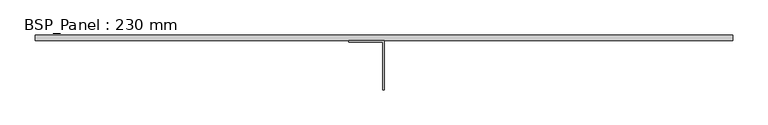
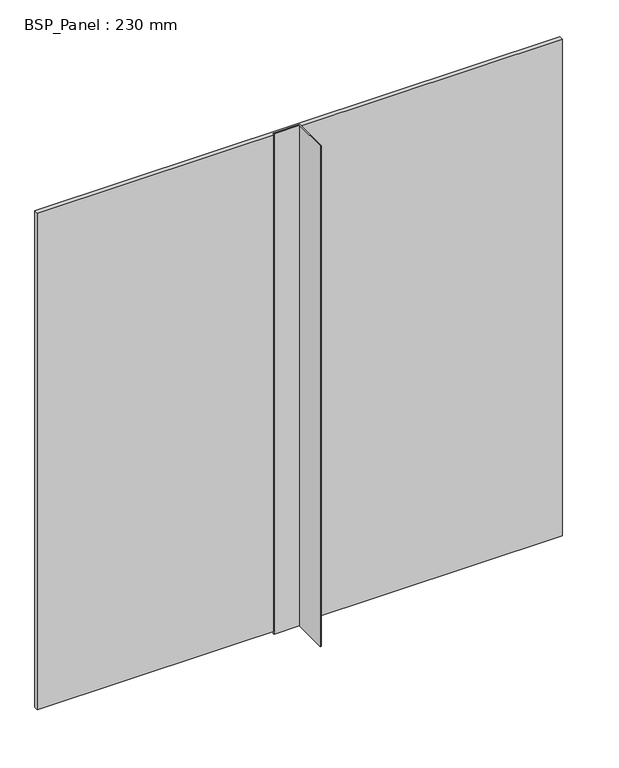
"""IFC4 building model written with IfcOpenShell, lengths in millimetres: plate geometry, BSP_Panel : 230 mm."""

import ifcopenshell
import ifcopenshell.guid

model = None  # the IFC model being written
_history = None  # IfcOwnerHistory: only IFC2X3 demands one
_inside = {}  # id of a spatial element -> (the spatial element, [elements in it])
_under = {}  # id of a project, library or spatial element -> (it, [spatial elements below it])
_declared = {}  # id of a project -> (the project, [libraries it declares])
_typed = {}  # id of a type object -> (the type object, [elements of that type])
_made_of = {}  # id of a material, layer set ... -> (it, [elements and type objects made of it])


def new_model(schema):
    """Start an empty IFC model of exactly this schema.

    Asked for "IFC4X3", IfcOpenShell would pick the latest addendum, in which some entities
    have other attributes; the version numbers below select the first issue.
    IFC2X3 requires an IfcOwnerHistory on every rooted entity: one is made here for all.
    """
    global model, _history
    if schema == "IFC4X3":
        model = ifcopenshell.file(schema_version=(4, 3, 0, 0))
    else:
        model = ifcopenshell.file(schema=schema)
    _inside.clear()
    _under.clear()
    _declared.clear()
    _typed.clear()
    _made_of.clear()
    _history = None
    if model.schema == "IFC2X3":
        org = make("IfcOrganization", Name="unknown")
        user = make(
            "IfcPersonAndOrganization",
            ThePerson=make("IfcPerson", FamilyName="unknown"),
            TheOrganization=org,
        )
        app = make(
            "IfcApplication",
            ApplicationDeveloper=org,
            Version="unknown",
            ApplicationFullName="unknown",
            ApplicationIdentifier="unknown",
        )
        _history = make(
            "IfcOwnerHistory",
            OwningUser=user,
            OwningApplication=app,
            ChangeAction="ADDED",
            CreationDate=0,
        )
    return model


def make(cls, **values):
    """One entity of the class cls with the attributes given. An attribute that is None is left unset."""
    return model.create_entity(
        cls, **{name: value for name, value in values.items() if value is not None}
    )


def rooted(cls, **values):
    """An entity with a GlobalId (a new one), such as an element, a storey or a relation."""
    return make(cls, GlobalId=ifcopenshell.guid.new(), OwnerHistory=_history, **values)


def si_unit(unit_type, name, prefix=None):
    """IfcSIUnit, for example si_unit("LENGTHUNIT", "METRE", prefix="MILLI")."""
    return make("IfcSIUnit", UnitType=unit_type, Prefix=prefix, Name=name)


def assignment(units):
    """IfcUnitAssignment: the units of a project."""
    return None if units is None else make("IfcUnitAssignment", Units=units)


def point(xyz):
    """IfcCartesianPoint."""
    return None if xyz is None else make("IfcCartesianPoint", Coordinates=xyz)


def direction(xyz):
    """IfcDirection."""
    return None if xyz is None else make("IfcDirection", DirectionRatios=xyz)


def frame(location, z_axis=None, x_axis=None):
    """IfcAxis2Placement3D, a coordinate frame: its origin and axes. An axis left out is left unset."""
    return make(
        "IfcAxis2Placement3D",
        Location=point(location),
        Axis=direction(z_axis),
        RefDirection=direction(x_axis),
    )


def origin():
    """The frame at (0, 0, 0) with its axes left unset."""
    return frame((0.0, 0.0, 0.0))


def origin_with_axes():
    """The frame at (0, 0, 0) with the z axis (0, 0, 1) and the x axis (1, 0, 0) written out."""
    return frame((0.0, 0.0, 0.0), z_axis=(0.0, 0.0, 1.0), x_axis=(1.0, 0.0, 0.0))


def place(relative_to, where):
    """IfcLocalPlacement: puts the frame where relative to a parent placement (None: the world)."""
    return make(
        "IfcLocalPlacement", PlacementRelTo=relative_to, RelativePlacement=where
    )


def context(
    kind, dimensions, precision=None, world=None, true_north=None, identifier=None
):
    """IfcGeometricRepresentationContext, for example the 3D "Model" context."""
    return make(
        "IfcGeometricRepresentationContext",
        ContextIdentifier=identifier,
        ContextType=kind,
        CoordinateSpaceDimension=dimensions,
        Precision=precision,
        WorldCoordinateSystem=world,
        TrueNorth=true_north,
    )


def project(units=None, contexts=None):
    """IfcProject with its units and contexts."""
    return rooted(
        "IfcProject",
        Name="project",
        RepresentationContexts=contexts,
        UnitsInContext=assignment(units),
    )


def spatial(cls, under=None, at=None, **own):
    """A site, building, storey or space (cls), placed at a placement, below another one or the project."""
    s = rooted(cls, ObjectPlacement=at, **own)
    if under is not None:
        _under.setdefault(under.id(), (under, []))[1].append(s)
    return s


def polyline(points):
    """IfcPolyline through the points."""
    return make("IfcPolyline", Points=[point(p) for p in points])


def outline(outer, holes=None, kind="AREA"):
    """IfcArbitraryClosedProfileDef: a profile drawn as a closed curve; with holes, ...WithVoids."""
    if holes is None:
        return make("IfcArbitraryClosedProfileDef", ProfileType=kind, OuterCurve=outer)
    return make(
        "IfcArbitraryProfileDefWithVoids",
        ProfileType=kind,
        OuterCurve=outer,
        InnerCurves=holes,
    )


def extrude(swept, where, along, depth):
    """IfcExtrudedAreaSolid: the profile swept, set in the frame where, extruded along a direction by depth."""
    return make(
        "IfcExtrudedAreaSolid",
        SweptArea=swept,
        Position=where,
        ExtrudedDirection=direction(along),
        Depth=depth,
    )


def shape(context_of_items, identifier, shape_type, items):
    """IfcShapeRepresentation: the items that make up one representation, for example the "Body"."""
    return make(
        "IfcShapeRepresentation",
        ContextOfItems=context_of_items,
        RepresentationIdentifier=identifier,
        RepresentationType=shape_type,
        Items=items,
    )


def source(mapping_origin, context_of_items, identifier, shape_type, items):
    """IfcRepresentationMap: a shape defined once, which mapped items show again and again."""
    return make(
        "IfcRepresentationMap",
        MappingOrigin=mapping_origin,
        MappedRepresentation=shape(context_of_items, identifier, shape_type, items),
    )


def transform(
    local_origin,
    x_axis=None,
    y_axis=None,
    z_axis=None,
    scale=None,
    scale2=None,
    scale3=None,
    uniform=True,
):
    """IfcCartesianTransformationOperator3D, or its non-uniform kind. x_axis, y_axis, z_axis: its Axis1, 2, 3."""
    if uniform:
        return make(
            "IfcCartesianTransformationOperator3D",
            Axis1=direction(x_axis),
            Axis2=direction(y_axis),
            LocalOrigin=point(local_origin),
            Scale=scale,
            Axis3=direction(z_axis),
        )
    return make(
        "IfcCartesianTransformationOperator3DnonUniform",
        Axis1=direction(x_axis),
        Axis2=direction(y_axis),
        LocalOrigin=point(local_origin),
        Scale=scale,
        Axis3=direction(z_axis),
        Scale2=scale2,
        Scale3=scale3,
    )


def mapped(mapping_source, mapping_target):
    """IfcMappedItem: shows the shape of a source again, moved by a transform."""
    return make(
        "IfcMappedItem", MappingSource=mapping_source, MappingTarget=mapping_target
    )


def made_of(thing, what):
    """Note that an element or type object is made of a material, layer set ...; save() writes the relation."""
    if what is not None:
        _made_of.setdefault(what.id(), (what, []))[1].append(thing)
    return thing


def element(
    cls,
    number,
    at=None,
    inside=None,
    cuts=None,
    type_object=None,
    material=None,
    context=None,
    identifier="Body",
    shape_type=None,
    held_by="IfcProductDefinitionShape",
    body=None,
    shapes=None,
    **own,
):
    """One element of the class cls, such as IfcWall. Its Tag is "e" and its number.

    at: its placement. inside: the storey or other place that contains it. cuts: it is an
    opening in that element (IfcRelVoidsElement). A single representation is given by context,
    identifier, shape_type and body (its items); several are given by shapes. held_by: the class
    of the entity that holds the representations. save() writes the other relations.
    """
    e = rooted(cls, Tag="e%d" % number, ObjectPlacement=at, **own)
    if body is not None:
        shapes = [shape(context, identifier, shape_type, body)]
    if shapes is not None:
        e.Representation = make(held_by, Representations=shapes)
    if inside is not None:
        _inside.setdefault(inside.id(), (inside, []))[1].append(e)
    if cuts is not None:
        rooted(
            "IfcRelVoidsElement", RelatingBuildingElement=cuts, RelatedOpeningElement=e
        )
    if type_object is not None:
        _typed.setdefault(type_object.id(), (type_object, []))[1].append(e)
    return made_of(e, material)


def aggregate(whole, parts):
    """IfcRelAggregates: a whole, such as a stair, and the parts it consists of."""
    return rooted("IfcRelAggregates", RelatingObject=whole, RelatedObjects=parts)


def save(model, path):
    """Write the relations noted so far, then the file.

    IfcRelAggregates (storeys below a building ...), IfcRelContainedInSpatialStructure (elements
    in a storey), IfcRelDefinesByType, IfcRelAssociatesMaterial and IfcRelDeclares: one each for
    every whole, place, type object, material and project.
    """
    for whole, parts in _under.values():
        aggregate(whole, parts)
    for where, things in _inside.values():
        rooted(
            "IfcRelContainedInSpatialStructure",
            RelatedElements=things,
            RelatingStructure=where,
        )
    for kind, things in _typed.values():
        rooted("IfcRelDefinesByType", RelatedObjects=things, RelatingType=kind)
    for what, things in _made_of.values():
        rooted("IfcRelAssociatesMaterial", RelatedObjects=things, RelatingMaterial=what)
    for by, libraries in _declared.values():
        rooted("IfcRelDeclares", RelatingContext=by, RelatedDefinitions=libraries)
    model.write(path)


def bsp_panel_230_mm_23652ffd(model_context):
    return source(origin(), model_context, "Body", "SweptSolid", [
        extrude(outline(polyline([(496.0000001, 230.0), (496.0000001, 222.0), (-496.0000001, 222.0), (-496.0000001, 230.0), (496.0000001, 230.0)])), frame((0.0, 0.0, 4.0), z_axis=(0.0, 0.0, 1.0), x_axis=(1.0, 0.0, 0.0)), (0.0, 0.0, 1.0), 992.0),
        extrude(outline(polyline([(-50.0, 222.0), (0.0, 222.0), (0.0, 152.0), (-2.0, 152.0), (-2.0, 220.0), (-50.0, 220.0), (-50.0, 222.0)])), origin_with_axes(), (0.0, 0.0, 1.0), 1000.0),
    ])


if __name__ == "__main__":
    model = new_model("IFC4")
    model_context = context("Model", 3, world=origin())
    ifc_project = project(units=[si_unit("LENGTHUNIT", "METRE", prefix="MILLI")], contexts=[model_context])
    site = spatial("IfcSite", under=ifc_project)
    building = spatial("IfcBuilding", under=site)
    placement = place(None, origin())
    bsp_panel_230_mm_shape = bsp_panel_230_mm_23652ffd(model_context)
    element("IfcPlate", 1, ObjectType="BSP_Panel : 230 mm", at=placement, inside=building, context=model_context, shape_type="MappedRepresentation", body=[
        mapped(bsp_panel_230_mm_shape, transform((0.0, 0.0, 0.0), x_axis=(1.0, 0.0, 0.0), y_axis=(0.0, 1.0, 0.0), z_axis=(0.0, 0.0, 1.0))),
    ])
    save(model, "model.ifc")
